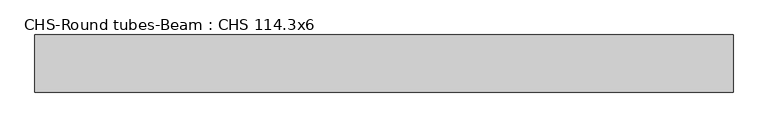
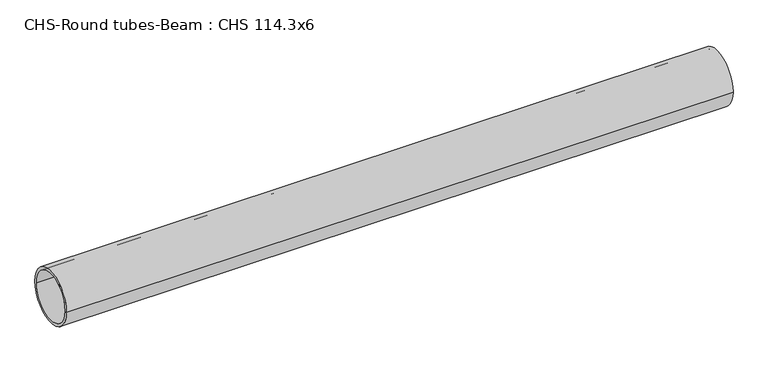
"""IFC4 building model written with IfcOpenShell, lengths in millimetres: beam geometry, CHS-Round tubes-Beam : CHS 114.3x6."""

import ifcopenshell
import ifcopenshell.guid

model = None  # the IFC model being written
_history = None  # IfcOwnerHistory: only IFC2X3 demands one
_inside = {}  # id of a spatial element -> (the spatial element, [elements in it])
_under = {}  # id of a project, library or spatial element -> (it, [spatial elements below it])
_declared = {}  # id of a project -> (the project, [libraries it declares])
_typed = {}  # id of a type object -> (the type object, [elements of that type])
_made_of = {}  # id of a material, layer set ... -> (it, [elements and type objects made of it])


def new_model(schema):
    """Start an empty IFC model of exactly this schema.

    Asked for "IFC4X3", IfcOpenShell would pick the latest addendum, in which some entities
    have other attributes; the version numbers below select the first issue.
    IFC2X3 requires an IfcOwnerHistory on every rooted entity: one is made here for all.
    """
    global model, _history
    if schema == "IFC4X3":
        model = ifcopenshell.file(schema_version=(4, 3, 0, 0))
    else:
        model = ifcopenshell.file(schema=schema)
    _inside.clear()
    _under.clear()
    _declared.clear()
    _typed.clear()
    _made_of.clear()
    _history = None
    if model.schema == "IFC2X3":
        org = make("IfcOrganization", Name="unknown")
        user = make(
            "IfcPersonAndOrganization",
            ThePerson=make("IfcPerson", FamilyName="unknown"),
            TheOrganization=org,
        )
        app = make(
            "IfcApplication",
            ApplicationDeveloper=org,
            Version="unknown",
            ApplicationFullName="unknown",
            ApplicationIdentifier="unknown",
        )
        _history = make(
            "IfcOwnerHistory",
            OwningUser=user,
            OwningApplication=app,
            ChangeAction="ADDED",
            CreationDate=0,
        )
    return model


def make(cls, **values):
    """One entity of the class cls with the attributes given. An attribute that is None is left unset."""
    return model.create_entity(
        cls, **{name: value for name, value in values.items() if value is not None}
    )


def rooted(cls, **values):
    """An entity with a GlobalId (a new one), such as an element, a storey or a relation."""
    return make(cls, GlobalId=ifcopenshell.guid.new(), OwnerHistory=_history, **values)


def si_unit(unit_type, name, prefix=None):
    """IfcSIUnit, for example si_unit("LENGTHUNIT", "METRE", prefix="MILLI")."""
    return make("IfcSIUnit", UnitType=unit_type, Prefix=prefix, Name=name)


def assignment(units):
    """IfcUnitAssignment: the units of a project."""
    return None if units is None else make("IfcUnitAssignment", Units=units)


def point(xyz):
    """IfcCartesianPoint."""
    return None if xyz is None else make("IfcCartesianPoint", Coordinates=xyz)


def direction(xyz):
    """IfcDirection."""
    return None if xyz is None else make("IfcDirection", DirectionRatios=xyz)


def frame(location, z_axis=None, x_axis=None):
    """IfcAxis2Placement3D, a coordinate frame: its origin and axes. An axis left out is left unset."""
    return make(
        "IfcAxis2Placement3D",
        Location=point(location),
        Axis=direction(z_axis),
        RefDirection=direction(x_axis),
    )


def frame_2d(location, x_axis=None):
    """IfcAxis2Placement2D, a coordinate frame in the plane: its origin and x axis."""
    return make(
        "IfcAxis2Placement2D", Location=point(location), RefDirection=direction(x_axis)
    )


def origin():
    """The frame at (0, 0, 0) with its axes left unset."""
    return frame((0.0, 0.0, 0.0))


def origin_2d():
    """The frame at (0, 0) in the plane with its x axis left unset."""
    return frame_2d((0.0, 0.0))


def place(relative_to, where):
    """IfcLocalPlacement: puts the frame where relative to a parent placement (None: the world)."""
    return make(
        "IfcLocalPlacement", PlacementRelTo=relative_to, RelativePlacement=where
    )


def context(
    kind, dimensions, precision=None, world=None, true_north=None, identifier=None
):
    """IfcGeometricRepresentationContext, for example the 3D "Model" context."""
    return make(
        "IfcGeometricRepresentationContext",
        ContextIdentifier=identifier,
        ContextType=kind,
        CoordinateSpaceDimension=dimensions,
        Precision=precision,
        WorldCoordinateSystem=world,
        TrueNorth=true_north,
    )


def project(units=None, contexts=None):
    """IfcProject with its units and contexts."""
    return rooted(
        "IfcProject",
        Name="project",
        RepresentationContexts=contexts,
        UnitsInContext=assignment(units),
    )


def spatial(cls, under=None, at=None, **own):
    """A site, building, storey or space (cls), placed at a placement, below another one or the project."""
    s = rooted(cls, ObjectPlacement=at, **own)
    if under is not None:
        _under.setdefault(under.id(), (under, []))[1].append(s)
    return s


def circle_curve(where, radius):
    """IfcCircle in the frame where."""
    return make("IfcCircle", Position=where, Radius=radius)


def trimmed(basis, trim1, trim2, sense, master):
    """IfcTrimmedCurve: the piece of a basis curve between two trims."""
    return make(
        "IfcTrimmedCurve",
        BasisCurve=basis,
        Trim1=trim1,
        Trim2=trim2,
        SenseAgreement=sense,
        MasterRepresentation=master,
    )


def segment(curve, same_sense, transition):
    """IfcCompositeCurveSegment."""
    return make(
        "IfcCompositeCurveSegment",
        Transition=transition,
        SameSense=same_sense,
        ParentCurve=curve,
    )


def composite_curve(segments, self_intersect=None):
    """IfcCompositeCurve: segments joined end to end."""
    return make("IfcCompositeCurve", Segments=segments, SelfIntersect=self_intersect)


def outline(outer, holes=None, kind="AREA"):
    """IfcArbitraryClosedProfileDef: a profile drawn as a closed curve; with holes, ...WithVoids."""
    if holes is None:
        return make("IfcArbitraryClosedProfileDef", ProfileType=kind, OuterCurve=outer)
    return make(
        "IfcArbitraryProfileDefWithVoids",
        ProfileType=kind,
        OuterCurve=outer,
        InnerCurves=holes,
    )


def extrude(swept, where, along, depth):
    """IfcExtrudedAreaSolid: the profile swept, set in the frame where, extruded along a direction by depth."""
    return make(
        "IfcExtrudedAreaSolid",
        SweptArea=swept,
        Position=where,
        ExtrudedDirection=direction(along),
        Depth=depth,
    )


def shape(context_of_items, identifier, shape_type, items):
    """IfcShapeRepresentation: the items that make up one representation, for example the "Body"."""
    return make(
        "IfcShapeRepresentation",
        ContextOfItems=context_of_items,
        RepresentationIdentifier=identifier,
        RepresentationType=shape_type,
        Items=items,
    )


def source(mapping_origin, context_of_items, identifier, shape_type, items):
    """IfcRepresentationMap: a shape defined once, which mapped items show again and again."""
    return make(
        "IfcRepresentationMap",
        MappingOrigin=mapping_origin,
        MappedRepresentation=shape(context_of_items, identifier, shape_type, items),
    )


def transform(
    local_origin,
    x_axis=None,
    y_axis=None,
    z_axis=None,
    scale=None,
    scale2=None,
    scale3=None,
    uniform=True,
):
    """IfcCartesianTransformationOperator3D, or its non-uniform kind. x_axis, y_axis, z_axis: its Axis1, 2, 3."""
    if uniform:
        return make(
            "IfcCartesianTransformationOperator3D",
            Axis1=direction(x_axis),
            Axis2=direction(y_axis),
            LocalOrigin=point(local_origin),
            Scale=scale,
            Axis3=direction(z_axis),
        )
    return make(
        "IfcCartesianTransformationOperator3DnonUniform",
        Axis1=direction(x_axis),
        Axis2=direction(y_axis),
        LocalOrigin=point(local_origin),
        Scale=scale,
        Axis3=direction(z_axis),
        Scale2=scale2,
        Scale3=scale3,
    )


def mapped(mapping_source, mapping_target):
    """IfcMappedItem: shows the shape of a source again, moved by a transform."""
    return make(
        "IfcMappedItem", MappingSource=mapping_source, MappingTarget=mapping_target
    )


def made_of(thing, what):
    """Note that an element or type object is made of a material, layer set ...; save() writes the relation."""
    if what is not None:
        _made_of.setdefault(what.id(), (what, []))[1].append(thing)
    return thing


def element(
    cls,
    number,
    at=None,
    inside=None,
    cuts=None,
    type_object=None,
    material=None,
    context=None,
    identifier="Body",
    shape_type=None,
    held_by="IfcProductDefinitionShape",
    body=None,
    shapes=None,
    **own,
):
    """One element of the class cls, such as IfcWall. Its Tag is "e" and its number.

    at: its placement. inside: the storey or other place that contains it. cuts: it is an
    opening in that element (IfcRelVoidsElement). A single representation is given by context,
    identifier, shape_type and body (its items); several are given by shapes. held_by: the class
    of the entity that holds the representations. save() writes the other relations.
    """
    e = rooted(cls, Tag="e%d" % number, ObjectPlacement=at, **own)
    if body is not None:
        shapes = [shape(context, identifier, shape_type, body)]
    if shapes is not None:
        e.Representation = make(held_by, Representations=shapes)
    if inside is not None:
        _inside.setdefault(inside.id(), (inside, []))[1].append(e)
    if cuts is not None:
        rooted(
            "IfcRelVoidsElement", RelatingBuildingElement=cuts, RelatedOpeningElement=e
        )
    if type_object is not None:
        _typed.setdefault(type_object.id(), (type_object, []))[1].append(e)
    return made_of(e, material)


def aggregate(whole, parts):
    """IfcRelAggregates: a whole, such as a stair, and the parts it consists of."""
    return rooted("IfcRelAggregates", RelatingObject=whole, RelatedObjects=parts)


def save(model, path):
    """Write the relations noted so far, then the file.

    IfcRelAggregates (storeys below a building ...), IfcRelContainedInSpatialStructure (elements
    in a storey), IfcRelDefinesByType, IfcRelAssociatesMaterial and IfcRelDeclares: one each for
    every whole, place, type object, material and project.
    """
    for whole, parts in _under.values():
        aggregate(whole, parts)
    for where, things in _inside.values():
        rooted(
            "IfcRelContainedInSpatialStructure",
            RelatedElements=things,
            RelatingStructure=where,
        )
    for kind, things in _typed.values():
        rooted("IfcRelDefinesByType", RelatedObjects=things, RelatingType=kind)
    for what, things in _made_of.values():
        rooted("IfcRelAssociatesMaterial", RelatedObjects=things, RelatingMaterial=what)
    for by, libraries in _declared.values():
        rooted("IfcRelDeclares", RelatingContext=by, RelatedDefinitions=libraries)
    model.write(path)


def chs_round_tubes_beam_chs_114_3x6_24144905(model_context):
    return source(origin(), model_context, "Body", "SweptSolid", [
        extrude(outline(composite_curve([segment(trimmed(circle_curve(origin_2d(), 57.15), [point((57.15, 0.0))], [point((-57.15, 0.0))], False, "CARTESIAN"), True, "CONTINUOUS"), segment(trimmed(circle_curve(origin_2d(), 57.15), [point((-57.15, 0.0))], [point((57.15, 0.0))], False, "CARTESIAN"), True, "CONTINUOUS")], self_intersect=False), holes=[composite_curve([segment(trimmed(circle_curve(origin_2d(), 51.15), [point((51.15, 0.0))], [point((-51.15, 0.0))], True, "CARTESIAN"), True, "CONTINUOUS"), segment(trimmed(circle_curve(origin_2d(), 51.15), [point((-51.15, 0.0))], [point((51.15, 0.0))], True, "CARTESIAN"), True, "CONTINUOUS")], self_intersect=False)]), frame((-773.7297926, 0.0, 0.0), z_axis=(1.0, 0.0, 0.0), x_axis=(0.0, 1.0, 0.0)), (0.0, 0.0, 1.0), 1396.7394587),
    ])


if __name__ == "__main__":
    model = new_model("IFC4")
    model_context = context("Model", 3, world=origin())
    ifc_project = project(units=[si_unit("LENGTHUNIT", "METRE", prefix="MILLI")], contexts=[model_context])
    site = spatial("IfcSite", under=ifc_project)
    building = spatial("IfcBuilding", under=site)
    placement = place(None, origin())
    chs_round_tubes_beam_chs_114_3x6_shape = chs_round_tubes_beam_chs_114_3x6_24144905(model_context)
    element("IfcBeam", 1, ObjectType="CHS-Round tubes-Beam : CHS 114.3x6", at=placement, inside=building, context=model_context, shape_type="MappedRepresentation", body=[
        mapped(chs_round_tubes_beam_chs_114_3x6_shape, transform((0.0, 0.0, 0.0), x_axis=(1.0, 0.0, 0.0), y_axis=(0.0, 1.0, 0.0), z_axis=(0.0, 0.0, 1.0))),
    ])
    save(model, "model.ifc")
